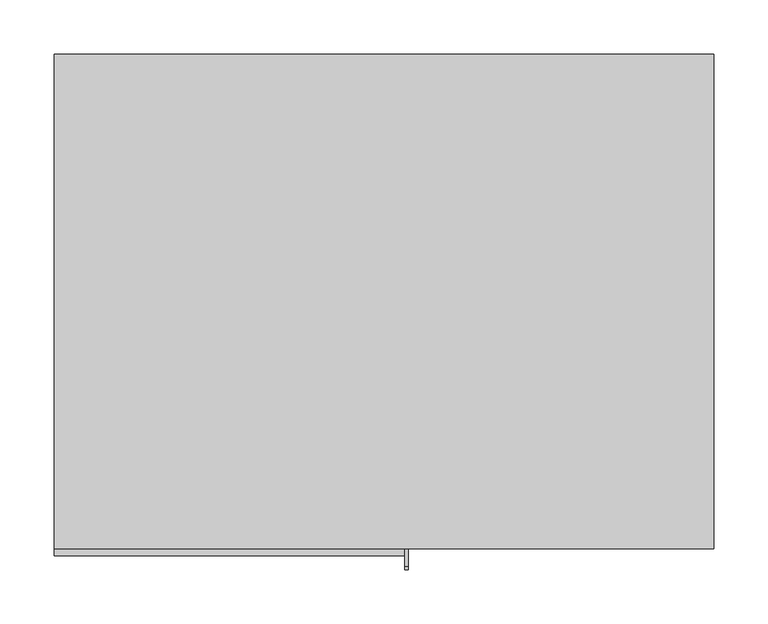
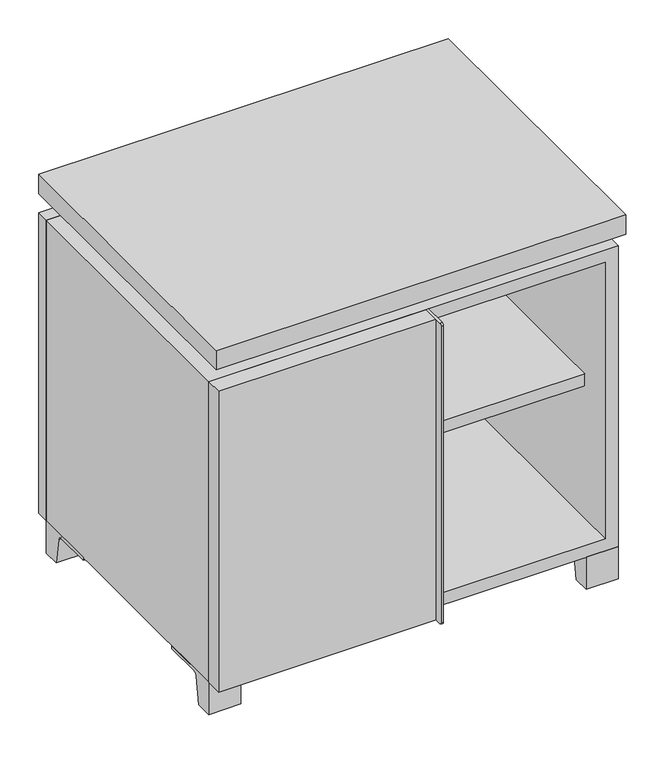
"""IFC4 building model written with IfcOpenShell, lengths in millimetres: furniture geometry."""

from ifc_helpers import new_model, si_unit, point, frame, frame_2d, origin, place, context, project, spatial, polyline, circle_curve, trimmed, segment, composite_curve, outline, extrude, faceted_brep, source, transform, mapped, element, save


def furniture_8229fbe5(model_context):
    return source(origin(), model_context, "Body", "SolidModel", [
        extrude(outline(polyline([(9.5319453, 241.3), (285.7569453, 241.3), (285.7569453, -92.075), (9.5319453, -92.075), (9.5319453, 241.3)])), frame((0.0, 0.0, 277.8125), z_axis=(0.0, 0.0, 1.0), x_axis=(1.0, 0.0, 0.0)), (0.0, 0.0, 1.0), 19.05),
        extrude(outline(polyline([(-9.5041641, 241.3), (-9.5041641, -92.075), (-285.7291641, -92.075), (-285.7291641, 241.3), (-9.5041641, 241.3)])), frame((0.0, 0.0, 277.8125), z_axis=(0.0, 0.0, 1.0), x_axis=(1.0, 0.0, 0.0)), (0.0, 0.0, 1.0), 19.05),
        extrude(outline(polyline([(304.8138906, 292.1), (304.8138906, -165.1), (-304.7861094, -165.1), (-304.7861094, 292.1), (304.8138906, 292.1)])), frame((0.0, 0.0, 554.0375), z_axis=(0.0, 0.0, 1.0), x_axis=(1.0, 0.0, 0.0)), (0.0, 0.0, 1.0), 30.1625),
        extrude(outline(composite_curve([segment(polyline([(-146.05, 523.875), (-146.05, 50.8), (-180.975, 50.8)]), True, "CONTINUOUS"), segment(trimmed(circle_curve(frame_2d((-180.975, 53.975)), 3.175), [point((-180.975, 50.8))], [point((-184.15, 53.975))], False, "CARTESIAN"), True, "CONTINUOUS"), segment(polyline([(-184.15, 53.975), (-184.15, 520.7)]), True, "CONTINUOUS"), segment(trimmed(circle_curve(frame_2d((-180.975, 520.7)), 3.175), [point((-184.15, 520.7))], [point((-180.975, 523.875))], False, "CARTESIAN"), True, "CONTINUOUS"), segment(polyline([(-180.975, 523.875), (-146.05, 523.875)]), True, "CONTINUOUS")], self_intersect=False)), frame((19.0638906, 0.0, 0.0), z_axis=(1.0, 0.0, 0.0), x_axis=(0.0, 1.0, 0.0)), (0.0, 0.0, 1.0), 3.175),
        extrude(outline(polyline([(-304.7861094, -146.05), (19.0638906, -146.05), (19.0638906, -171.45), (-304.7861094, -171.45), (-304.7861094, -146.05)])), frame((0.0, 0.0, 50.8), z_axis=(0.0, 0.0, 1.0), x_axis=(1.0, 0.0, 0.0)), (0.0, 0.0, 1.0), 473.075),
        extrude(outline(composite_curve([segment(polyline([(-120.6500136, 0.0), (-146.05, 0.0), (-146.05, 50.8), (-50.8, 50.8), (-50.8, 46.0213321), (-107.6005345, 46.0213321)]), True, "CONTINUOUS"), segment(trimmed(circle_curve(frame_2d((-107.6005345, 39.6713321)), 6.35), [point((-107.6005345, 46.0213321))], [point((-113.8641359, 40.7152656))], True, "CARTESIAN"), True, "CONTINUOUS"), segment(polyline([(-113.8641359, 40.7152656), (-120.6500136, 0.0)]), True, "CONTINUOUS")], self_intersect=False)), frame((257.1888906, 0.0, 0.0), z_axis=(1.0, 0.0, 0.0), x_axis=(0.0, 1.0, 0.0)), (0.0, 0.0, 1.0), 47.625),
        extrude(outline(composite_curve([segment(polyline([(247.6500136, 0.0), (240.8641359, 40.7152656)]), True, "CONTINUOUS"), segment(trimmed(circle_curve(frame_2d((234.6005345, 39.6713321)), 6.35), [point((240.8641359, 40.7152656))], [point((234.6005345, 46.0213321))], True, "CARTESIAN"), True, "CONTINUOUS"), segment(polyline([(234.6005345, 46.0213321), (177.8, 46.0213321), (177.8, 50.8), (273.05, 50.8), (273.05, 0.0), (247.6500136, 0.0)]), True, "CONTINUOUS")], self_intersect=False)), frame((257.1888906, 0.0, 0.0), z_axis=(1.0, 0.0, 0.0), x_axis=(0.0, 1.0, 0.0)), (0.0, 0.0, 1.0), 47.625),
        extrude(outline(composite_curve([segment(polyline([(-120.6500136, 0.0), (-146.05, 0.0), (-146.05, 50.8), (-50.8, 50.8), (-50.8, 46.0213321), (-107.6005345, 46.0213321)]), True, "CONTINUOUS"), segment(trimmed(circle_curve(frame_2d((-107.6005345, 39.6713321)), 6.35), [point((-107.6005345, 46.0213321))], [point((-113.8641359, 40.7152656))], True, "CARTESIAN"), True, "CONTINUOUS"), segment(polyline([(-113.8641359, 40.7152656), (-120.6500136, 0.0)]), True, "CONTINUOUS")], self_intersect=False)), frame((-304.7861094, 0.0, 0.0), z_axis=(1.0, 0.0, 0.0), x_axis=(0.0, 1.0, 0.0)), (0.0, 0.0, 1.0), 47.625),
        extrude(outline(composite_curve([segment(polyline([(247.6500136, 0.0), (240.8641359, 40.7152656)]), True, "CONTINUOUS"), segment(trimmed(circle_curve(frame_2d((234.6005345, 39.6713321)), 6.35), [point((240.8641359, 40.7152656))], [point((234.6005345, 46.0213321))], True, "CARTESIAN"), True, "CONTINUOUS"), segment(polyline([(234.6005345, 46.0213321), (177.8, 46.0213321), (177.8, 50.8), (273.05, 50.8), (273.05, 0.0), (247.6500136, 0.0)]), True, "CONTINUOUS")], self_intersect=False)), frame((-304.7861094, 0.0, 0.0), z_axis=(1.0, 0.0, 0.0), x_axis=(0.0, 1.0, 0.0)), (0.0, 0.0, 1.0), 47.625),
        faceted_brep([(7.9513906, -120.65, 554.0375), (7.9513906, -120.65, 523.875), (7.9513906, 53.975, 523.875), (7.9513906, 53.975, 554.0375), (7.9513906, 247.65, 523.875), (7.9513906, 247.65, 554.0375), (7.9513906, 73.025, 554.0375), (7.9513906, 73.025, 523.875), (-7.9236094, 247.65, 554.0375), (-7.9236094, 247.65, 523.875), (-7.9236094, 73.025, 523.875), (-7.9236094, 73.025, 554.0375), (-7.9236094, -120.65, 523.875), (-7.9236094, -120.65, 554.0375), (-7.9236094, 53.975, 554.0375), (-7.9236094, 53.975, 523.875), (-263.4833281, 73.025, 554.0375), (-263.5041641, 247.65, 554.0375), (-279.3791641, 247.65, 554.0375), (-279.3791641, -120.65, 554.0375), (-263.5041641, -120.65, 554.0375), (-263.5041641, 53.975, 554.0375), (263.5111094, 53.975, 554.0375), (263.5111094, -120.65, 554.0375), (279.3861094, -120.65, 554.0375), (279.3861094, 247.65, 554.0375), (263.5111094, 247.65, 554.0375), (263.5111094, 73.025, 554.0375), (-263.4833281, 53.975, 523.875), (-263.5041641, -120.65, 523.875), (-279.3791641, -120.65, 523.875), (-279.3791641, 247.65, 523.875), (-263.5041641, 247.65, 523.875), (-263.5041641, 73.025, 523.875), (263.5111094, 73.025, 523.875), (263.5111094, 247.65, 523.875), (279.3861094, 247.65, 523.875), (279.3861094, -120.65, 523.875), (263.5111094, -120.65, 523.875), (263.5111094, 53.975, 523.875)], [[[0, 1, 2, 3]], [[4, 5, 6, 7]], [[8, 9, 10, 11]], [[12, 13, 14, 15]], [[5, 8, 11, 16, 17, 18, 19, 20, 21, 14, 13, 0, 3, 22, 23, 24, 25, 26, 27, 6]], [[1, 12, 15, 28, 29, 30, 31, 32, 33, 10, 9, 4, 7, 34, 35, 36, 37, 38, 39, 2]], [[5, 4, 9, 8]], [[1, 0, 13, 12]], [[6, 27, 34, 7]], [[22, 3, 2, 39]], [[20, 29, 28, 21]], [[32, 17, 16, 33]], [[18, 31, 30, 19]], [[29, 20, 19, 30]], [[17, 32, 31, 18]], [[26, 35, 34, 27]], [[38, 23, 22, 39]], [[25, 24, 37, 36]], [[23, 38, 37, 24]], [[35, 26, 25, 36]], [[16, 11, 10, 33]], [[14, 21, 28, 15]]]),
        extrude(outline(polyline([(9.5388906, 241.3), (9.5388906, -95.25), (-9.5111094, -95.25), (-9.5111094, 241.3), (9.5388906, 241.3)])), frame((0.0, 0.0, 69.85), z_axis=(0.0, 0.0, 1.0), x_axis=(1.0, 0.0, 0.0)), (0.0, 0.0, 1.0), 434.975),
        extrude(outline(polyline([(15.8888906, -88.9), (15.8888906, -146.05), (-9.5111094, -146.05), (-9.5111094, -120.65), (3.1888906, -120.65), (3.1888906, -88.9), (15.8888906, -88.9)])), frame((0.0, 0.0, 69.85), z_axis=(0.0, 0.0, 1.0), x_axis=(1.0, 0.0, 0.0)), (0.0, 0.0, 1.0), 434.975),
        extrude(outline(polyline([(304.8138906, 273.05), (-304.7861094, 273.05), (-304.7861094, 292.1), (304.8138906, 292.1), (304.8138906, 273.05)])), frame((0.0, 0.0, 50.8), z_axis=(0.0, 0.0, 1.0), x_axis=(1.0, 0.0, 0.0)), (0.0, 0.0, 1.0), 473.075),
        extrude(outline(polyline([(50.8, -304.7861094), (50.8, 304.8), (523.875, 304.8), (523.875, -304.7861094), (50.8, -304.7861094)]), holes=[polyline([(69.85, -285.7361094), (504.825, -285.7361094), (504.825, 285.7361094), (69.85, 285.7361094), (69.85, -285.7361094)])]), frame((0.0, -146.05, 0.0), z_axis=(0.0, 1.0, 0.0), x_axis=(0.0, 0.0, 1.0)), (0.0, 0.0, 1.0), 419.1),
        extrude(outline(polyline([(-285.7291641, 241.3), (-285.7291641, 247.65), (285.7569453, 247.65), (285.7569453, 241.3), (-285.7291641, 241.3)])), frame((0.0, 0.0, 69.85), z_axis=(0.0, 0.0, 1.0), x_axis=(1.0, 0.0, 0.0)), (0.0, 0.0, 1.0), 434.975),
    ])


if __name__ == "__main__":
    model = new_model("IFC4")
    model_context = context("Model", 3, world=origin())
    ifc_project = project(units=[si_unit("LENGTHUNIT", "METRE", prefix="MILLI")], contexts=[model_context])
    site = spatial("IfcSite", under=ifc_project)
    building = spatial("IfcBuilding", under=site)
    placement = place(None, origin())
    furniture_shape = furniture_8229fbe5(model_context)
    element("IfcFurniture", 1, at=placement, inside=building, context=model_context, shape_type="MappedRepresentation", body=[
        mapped(furniture_shape, transform((0.0, 0.0, 0.0), x_axis=(1.0, 0.0, 0.0), y_axis=(0.0, 1.0, 0.0), z_axis=(0.0, 0.0, 1.0))),
    ])
    save(model, "model.ifc")
